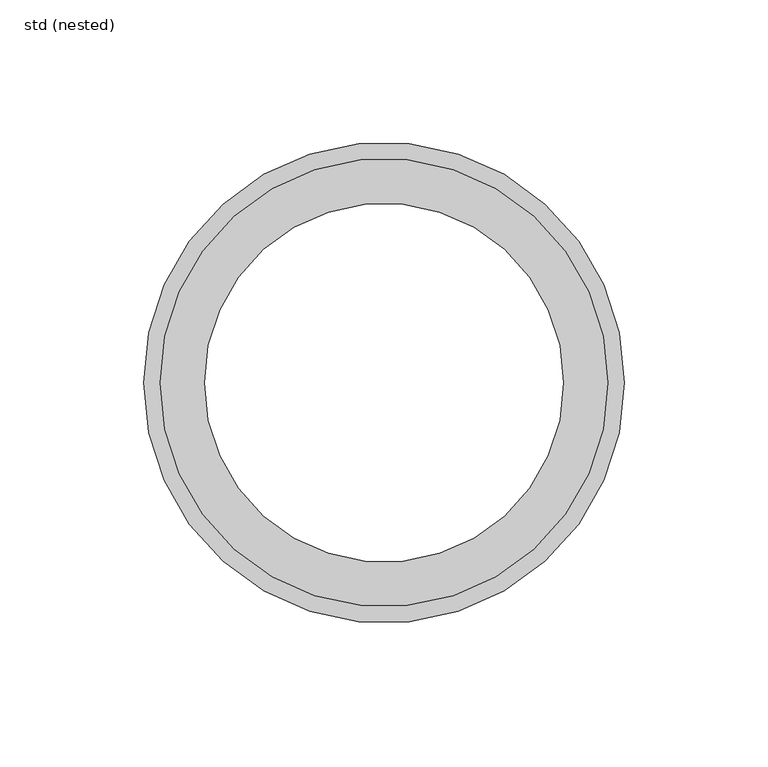
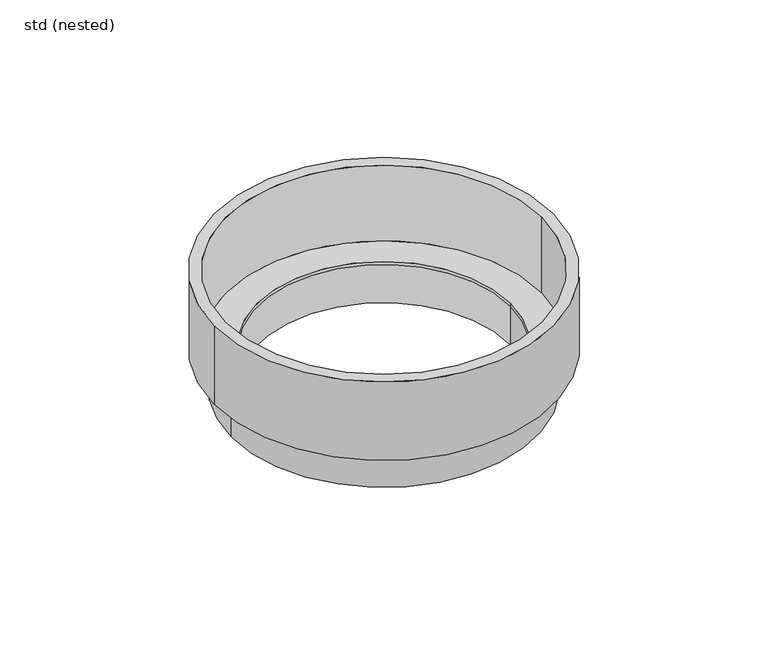
"""IFC4 building model written with IfcOpenShell, lengths in millimetres: sanitary terminal geometry, std (nested)."""

from ifc_helpers import new_model, si_unit, frame, origin, origin_with_axes, place, context, project, spatial, polyline, circle_curve, source, transform, mapped, element, save
from ifc_brep_helpers import plane_surface, cylinder_surface, revolved_surface, advanced_brep


def std_nested_0d2efb1d(model_context):
    return source(origin(), model_context, "Body", "AdvancedBrep", [
        advanced_brep(
        [(-78.0, 0.0, -39.5), (78.0, 0.0, -39.5), (-62.5, 0.0, -39.5), (62.5, 0.0, -39.5), (-83.735, 0.0, -41.0), (83.735, 0.0, -41.0), (-75.25, 0.0, -41.0), (75.25, 0.0, -41.0), (-62.5, 0.0, -41.0), (62.5, 0.0, -41.0), (-75.25, 0.0, -61.0), (75.25, 0.0, -61.0), (-62.5, 0.0, -61.0), (62.5, 0.0, -61.0), (-83.735, 0.0, 0.0), (83.735, 0.0, 0.0), (-78.0, 0.0, 0.0), (78.0, 0.0, 0.0)],
        [
            (0, 1, circle_curve(frame((0.0, 0.0, -39.5), z_axis=(0.0, 0.0, 1.0), x_axis=(1.0, 0.0, 0.0)), 78.0)),
            (1, 0, circle_curve(frame((0.0, 0.0, -39.5), z_axis=(0.0, 0.0, 1.0), x_axis=(1.0, 0.0, 0.0)), 78.0)),
            (2, 3, circle_curve(frame((0.0, 0.0, -39.5), z_axis=(0.0, 0.0, -1.0), x_axis=(1.0, 0.0, 0.0)), 62.5)),
            (3, 2, circle_curve(frame((0.0, 0.0, -39.5), z_axis=(0.0, 0.0, -1.0), x_axis=(1.0, 0.0, 0.0)), 62.5)),
            (4, 5, circle_curve(frame((0.0, 0.0, -41.0), z_axis=(0.0, 0.0, -1.0), x_axis=(1.0, 0.0, 0.0)), 83.735)),
            (5, 4, circle_curve(frame((0.0, 0.0, -41.0), z_axis=(0.0, 0.0, -1.0), x_axis=(1.0, 0.0, 0.0)), 83.735)),
            (6, 7, circle_curve(frame((0.0, 0.0, -41.0), z_axis=(0.0, 0.0, 1.0), x_axis=(1.0, 0.0, 0.0)), 75.25)),
            (7, 6, circle_curve(frame((0.0, 0.0, -41.0), z_axis=(0.0, 0.0, 1.0), x_axis=(1.0, 0.0, 0.0)), 75.25)),
            (2, 8),
            (8, 9, circle_curve(frame((0.0, 0.0, -41.0), z_axis=(0.0, 0.0, -1.0), x_axis=(1.0, 0.0, 0.0)), 62.5)),
            (9, 3),
            (9, 8, circle_curve(frame((0.0, 0.0, -41.0), z_axis=(0.0, 0.0, -1.0), x_axis=(1.0, 0.0, 0.0)), 62.5)),
            (10, 11, circle_curve(frame((0.0, 0.0, -61.0), z_axis=(0.0, 0.0, -1.0), x_axis=(1.0, 0.0, 0.0)), 75.25)),
            (11, 10, circle_curve(frame((0.0, 0.0, -61.0), z_axis=(0.0, 0.0, -1.0), x_axis=(1.0, 0.0, 0.0)), 75.25)),
            (12, 13, circle_curve(frame((0.0, 0.0, -61.0), z_axis=(0.0, 0.0, 1.0), x_axis=(1.0, 0.0, 0.0)), 62.5)),
            (13, 12, circle_curve(frame((0.0, 0.0, -61.0), z_axis=(0.0, 0.0, 1.0), x_axis=(1.0, 0.0, 0.0)), 62.5)),
            (13, 9),
            (8, 12),
            (11, 7),
            (6, 10),
            (14, 15, circle_curve(origin_with_axes(), 83.735)),
            (15, 14, circle_curve(origin_with_axes(), 83.735)),
            (16, 17, circle_curve(frame((0.0, 0.0, 0.0), z_axis=(0.0, 0.0, -1.0), x_axis=(1.0, 0.0, 0.0)), 78.0)),
            (17, 16, circle_curve(frame((0.0, 0.0, 0.0), z_axis=(0.0, 0.0, -1.0), x_axis=(1.0, 0.0, 0.0)), 78.0)),
            (4, 14),
            (15, 5),
            (17, 1),
            (0, 16),
        ],
        [
            plane_surface(frame((78.0, 0.0, -39.5), z_axis=(0.0, 0.0, 1.0), x_axis=(0.0, 1.0, 0.0))),
            plane_surface(frame((78.0, 0.0, -41.0), z_axis=(0.0, 0.0, -1.0), x_axis=(0.0, -1.0, 0.0))),
            revolved_surface(polyline([(62.5, 0.0, -41.0), (62.5, 0.0, -39.5)]), (0.0, 0.0, 0.0), (0.0, 0.0, -1.0)),
            plane_surface(frame((62.5, 0.0, -61.0), z_axis=(0.0, 0.0, -1.0), x_axis=(0.0, 1.0, 0.0))),
            revolved_surface(polyline([(62.5, 0.0, -61.0), (62.5, 0.0, -41.0)]), (0.0, 0.0, -61.0), (0.0, 0.0, -1.0)),
            cylinder_surface(origin_with_axes(), 75.25),
            plane_surface(frame((83.735, 0.0, 0.0), z_axis=(0.0, 0.0, 1.0), x_axis=(0.0, 1.0, 0.0))),
            cylinder_surface(frame((0.0, 0.0, -41.0), z_axis=(0.0, 0.0, 1.0), x_axis=(1.0, 0.0, 0.0)), 83.735),
            revolved_surface(polyline([(78.0, 0.0, -39.5), (78.0, 0.0, 0.0)]), (0.0, 0.0, 0.0), (0.0, 0.0, -1.0)),
        ],
        [
            (0, [[1, 2], [3, 4]]),
            (1, [[5, 6], [7, 8]]),
            (2, [[-3, 9, 10, 11]]),
            (2, [[-4, -11, 12, -9]]),
            (3, [[13, 14], [15, 16]]),
            (4, [[-16, 17, -10, 18]]),
            (4, [[-15, -18, -12, -17]]),
            (5, [[-14, 19, -7, 20]]),
            (5, [[-13, -20, -8, -19]]),
            (6, [[21, 22], [23, 24]]),
            (7, [[-5, 25, -22, 26]]),
            (7, [[-6, -26, -21, -25]]),
            (8, [[-24, 27, -1, 28]]),
            (8, [[-23, -28, -2, -27]]),
        ],
    ),
    ])


if __name__ == "__main__":
    model = new_model("IFC4")
    model_context = context("Model", 3, world=origin())
    ifc_project = project(units=[si_unit("LENGTHUNIT", "METRE", prefix="MILLI")], contexts=[model_context])
    site = spatial("IfcSite", under=ifc_project)
    building = spatial("IfcBuilding", under=site)
    placement = place(None, origin())
    std_nested_shape = std_nested_0d2efb1d(model_context)
    element("IfcSanitaryTerminal", 1, ObjectType="std (nested)", at=placement, inside=building, context=model_context, shape_type="MappedRepresentation", body=[
        mapped(std_nested_shape, transform((0.0, 0.0, 0.0), x_axis=(1.0, 0.0, 0.0), y_axis=(0.0, 1.0, 0.0), z_axis=(0.0, 0.0, 1.0))),
    ])
    save(model, "model.ifc")
